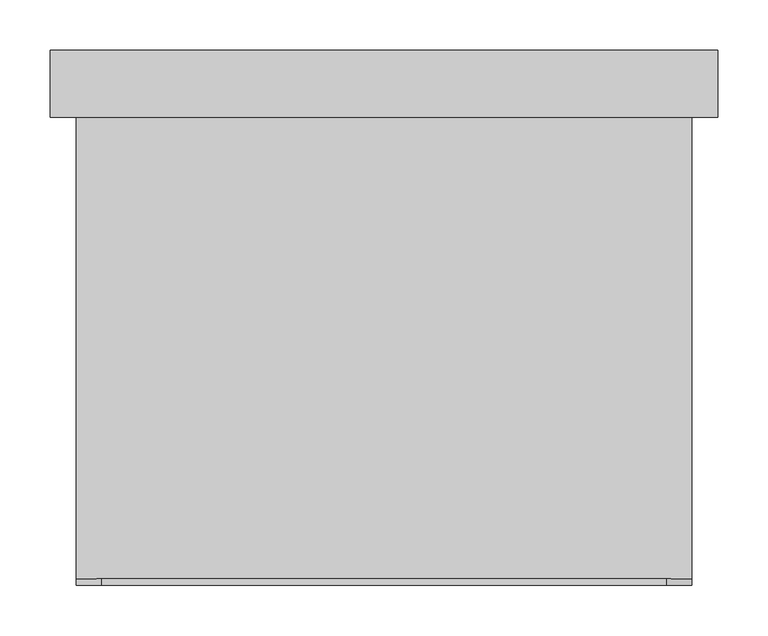
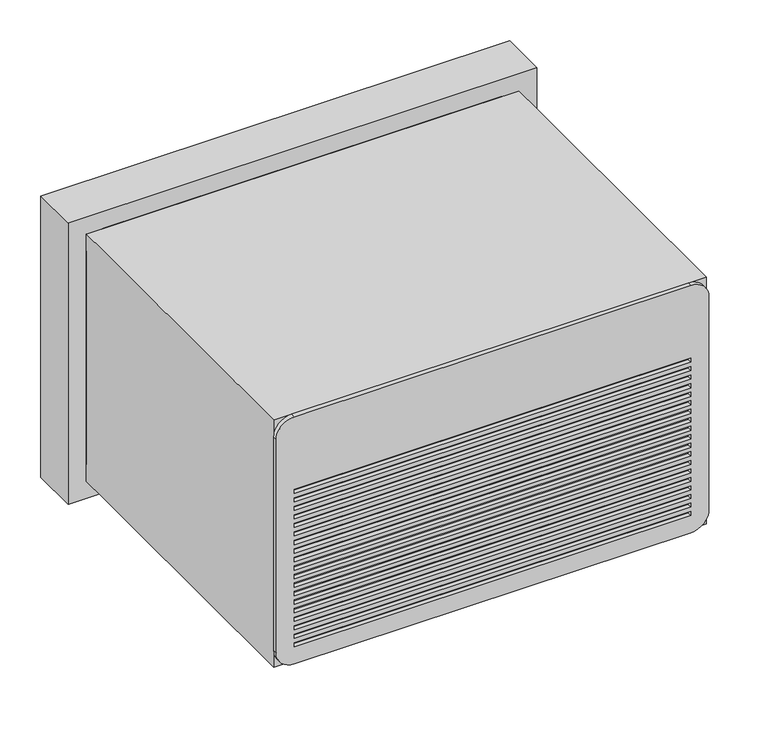
"""IFC4 building model written with IfcOpenShell, lengths in millimetres: proxy geometry."""

from ifc_helpers import new_model, si_unit, point, frame, frame_2d, origin, place, context, project, spatial, polyline, circle_curve, trimmed, segment, composite_curve, outline, extrude, source, transform, mapped, element, save


def generic_models_9263e51b(model_context):
    return source(origin(), model_context, "Body", "SweptSolid", [
        extrude(outline(composite_curve([segment(polyline([(914.4, -279.4), (914.4, 279.4)]), True, "CONTINUOUS"), segment(trimmed(circle_curve(frame_2d((939.8, 279.4)), 25.4), [point((914.4, 279.4))], [point((939.8, 304.8))], False, "CARTESIAN"), True, "CONTINUOUS"), segment(polyline([(939.8, 304.8), (1257.3, 304.8)]), True, "CONTINUOUS"), segment(trimmed(circle_curve(frame_2d((1257.3, 279.4)), 25.4), [point((1257.3, 304.8))], [point((1282.7, 279.4))], False, "CARTESIAN"), True, "CONTINUOUS"), segment(polyline([(1282.7, 279.4), (1282.7, -279.4)]), True, "CONTINUOUS"), segment(trimmed(circle_curve(frame_2d((1257.3, -279.4)), 25.4), [point((1282.7, -279.4))], [point((1257.3, -304.8))], False, "CARTESIAN"), True, "CONTINUOUS"), segment(polyline([(1257.3, -304.8), (939.8, -304.8)]), True, "CONTINUOUS"), segment(trimmed(circle_curve(frame_2d((939.8, -279.4)), 25.4), [point((939.8, -304.8))], [point((914.4, -279.4))], False, "CARTESIAN"), True, "CONTINUOUS")], self_intersect=False), holes=[polyline([(939.8, -279.4), (946.15, -279.4), (946.15, 279.4), (939.8, 279.4), (939.8, -279.4)]), polyline([(952.5, -279.4), (958.85, -279.4), (958.85, 279.4), (952.5, 279.4), (952.5, -279.4)]), polyline([(965.2, -279.4), (971.55, -279.4), (971.55, 279.4), (965.2, 279.4), (965.2, -279.4)]), polyline([(977.9, -279.4), (984.25, -279.4), (984.25, 279.4), (977.9, 279.4), (977.9, -279.4)]), polyline([(990.6, -279.4), (996.95, -279.4), (996.95, 279.4), (990.6, 279.4), (990.6, -279.4)]), polyline([(1003.3, -279.4), (1009.65, -279.4), (1009.65, 279.4), (1003.3, 279.4), (1003.3, -279.4)]), polyline([(1016.0, -279.4), (1022.35, -279.4), (1022.35, 279.4), (1016.0, 279.4), (1016.0, -279.4)]), polyline([(1028.7, -279.4), (1035.05, -279.4), (1035.05, 279.4), (1028.7, 279.4), (1028.7, -279.4)]), polyline([(1041.4, -279.4), (1047.75, -279.4), (1047.75, 279.4), (1041.4, 279.4), (1041.4, -279.4)]), polyline([(1054.1, -279.4), (1060.45, -279.4), (1060.45, 279.4), (1054.1, 279.4), (1054.1, -279.4)]), polyline([(1066.8, -279.4), (1073.15, -279.4), (1073.15, 279.4), (1066.8, 279.4), (1066.8, -279.4)]), polyline([(1079.5, -279.4), (1085.85, -279.4), (1085.85, 279.4), (1079.5, 279.4), (1079.5, -279.4)]), polyline([(1092.2, -279.4), (1098.55, -279.4), (1098.55, 279.4), (1092.2, 279.4), (1092.2, -279.4)]), polyline([(1104.9, -279.4), (1111.25, -279.4), (1111.25, 279.4), (1104.9, 279.4), (1104.9, -279.4)]), polyline([(1117.6, -279.4), (1123.95, -279.4), (1123.95, 279.4), (1117.6, 279.4), (1117.6, -279.4)]), polyline([(1130.3, -279.4), (1136.65, -279.4), (1136.65, 279.4), (1130.3, 279.4), (1130.3, -279.4)]), polyline([(1143.0, -279.4), (1149.35, -279.4), (1149.35, 279.4), (1143.0, 279.4), (1143.0, -279.4)]), polyline([(1155.7, -279.4), (1162.05, -279.4), (1162.05, 279.4), (1155.7, 279.4), (1155.7, -279.4)]), polyline([(1168.4, -279.4), (1174.75, -279.4), (1174.75, 279.4), (1168.4, 279.4), (1168.4, -279.4)])]), frame((0.0, -336.55, 0.0), z_axis=(0.0, 1.0, 0.0), x_axis=(0.0, 0.0, 1.0)), (0.0, 0.0, 1.0), 6.35),
        extrude(outline(polyline([(279.4, 152.4), (127.0, 152.4), (127.0, 156.3181205), (279.4, 156.3181205), (279.4, 152.4)])), frame((0.0, 0.0, 1199.800951), z_axis=(0.0, 0.0, 1.0), x_axis=(1.0, 0.0, 0.0)), (0.0, 0.0, 1.0), 57.15),
        extrude(outline(composite_curve([segment(polyline([(914.4, -279.4), (914.4, 279.4)]), True, "CONTINUOUS"), segment(trimmed(circle_curve(frame_2d((939.8, 279.4)), 25.4), [point((914.4, 279.4))], [point((939.8, 304.8))], False, "CARTESIAN"), True, "CONTINUOUS"), segment(polyline([(939.8, 304.8), (1257.3, 304.8)]), True, "CONTINUOUS"), segment(trimmed(circle_curve(frame_2d((1257.3, 279.4)), 25.4), [point((1257.3, 304.8))], [point((1282.7, 279.4))], False, "CARTESIAN"), True, "CONTINUOUS"), segment(polyline([(1282.7, 279.4), (1282.7, -279.4)]), True, "CONTINUOUS"), segment(trimmed(circle_curve(frame_2d((1257.3, -279.4)), 25.4), [point((1282.7, -279.4))], [point((1257.3, -304.8))], False, "CARTESIAN"), True, "CONTINUOUS"), segment(polyline([(1257.3, -304.8), (939.8, -304.8)]), True, "CONTINUOUS"), segment(trimmed(circle_curve(frame_2d((939.8, -279.4)), 25.4), [point((939.8, -304.8))], [point((914.4, -279.4))], False, "CARTESIAN"), True, "CONTINUOUS")], self_intersect=False), holes=[polyline([(939.8, -279.4), (946.15, -279.4), (946.15, 279.4), (939.8, 279.4), (939.8, -279.4)]), polyline([(952.5, -279.4), (958.85, -279.4), (958.85, 279.4), (952.5, 279.4), (952.5, -279.4)]), polyline([(965.2, -279.4), (971.55, -279.4), (971.55, 279.4), (965.2, 279.4), (965.2, -279.4)]), polyline([(977.9, -279.4), (984.25, -279.4), (984.25, 279.4), (977.9, 279.4), (977.9, -279.4)]), polyline([(990.6, -279.4), (996.95, -279.4), (996.95, 279.4), (990.6, 279.4), (990.6, -279.4)]), polyline([(1003.3, -279.4), (1009.65, -279.4), (1009.65, 279.4), (1003.3, 279.4), (1003.3, -279.4)]), polyline([(1016.0, -279.4), (1022.35, -279.4), (1022.35, 279.4), (1016.0, 279.4), (1016.0, -279.4)]), polyline([(1028.7, -279.4), (1035.05, -279.4), (1035.05, 279.4), (1028.7, 279.4), (1028.7, -279.4)]), polyline([(1041.4, -279.4), (1047.75, -279.4), (1047.75, 279.4), (1041.4, 279.4), (1041.4, -279.4)]), polyline([(1054.1, -279.4), (1060.45, -279.4), (1060.45, 279.4), (1054.1, 279.4), (1054.1, -279.4)]), polyline([(1066.8, -279.4), (1073.15, -279.4), (1073.15, 279.4), (1066.8, 279.4), (1066.8, -279.4)]), polyline([(1079.5, -279.4), (1085.85, -279.4), (1085.85, 279.4), (1079.5, 279.4), (1079.5, -279.4)]), polyline([(1092.2, -279.4), (1098.55, -279.4), (1098.55, 279.4), (1092.2, 279.4), (1092.2, -279.4)]), polyline([(1104.9, -279.4), (1111.25, -279.4), (1111.25, 279.4), (1104.9, 279.4), (1104.9, -279.4)]), polyline([(1117.6, -279.4), (1123.95, -279.4), (1123.95, 279.4), (1117.6, 279.4), (1117.6, -279.4)]), polyline([(1130.3, -279.4), (1136.65, -279.4), (1136.65, 279.4), (1130.3, 279.4), (1130.3, -279.4)]), polyline([(1143.0, -279.4), (1149.35, -279.4), (1149.35, 279.4), (1143.0, 279.4), (1143.0, -279.4)]), polyline([(1155.7, -279.4), (1162.05, -279.4), (1162.05, 279.4), (1155.7, 279.4), (1155.7, -279.4)]), polyline([(1168.4, -279.4), (1174.75, -279.4), (1174.75, 279.4), (1168.4, 279.4), (1168.4, -279.4)]), polyline([(1200.15, -279.4), (1206.5, -279.4), (1206.5, 101.6), (1200.15, 101.6), (1200.15, -279.4)]), polyline([(1212.85, -279.4), (1219.2, -279.4), (1219.2, 101.6), (1212.85, 101.6), (1212.85, -279.4)]), polyline([(1225.55, -279.4), (1231.9, -279.4), (1231.9, 101.6), (1225.55, 101.6), (1225.55, -279.4)]), polyline([(1238.25, -279.4), (1244.6, -279.4), (1244.6, 101.6), (1238.25, 101.6), (1238.25, -279.4)]), polyline([(1250.95, -279.4), (1257.3, -279.4), (1257.3, 101.6), (1250.95, 101.6), (1250.95, -279.4)])]), frame((0.0, 127.0, 0.0), z_axis=(0.0, 1.0, 0.0), x_axis=(0.0, 0.0, 1.0)), (0.0, 0.0, 1.0), 25.4),
        extrude(outline(polyline([(330.2, 127.0), (-330.2, 127.0), (-330.2, 193.0003125), (330.2, 193.0003125), (330.2, 127.0)])), frame((0.0, 0.0, 889.0), z_axis=(0.0, 0.0, 1.0), x_axis=(1.0, 0.0, 0.0)), (0.0, 0.0, 1.0), 419.1),
        extrude(outline(polyline([(304.8, -330.2), (-304.8, -330.2), (-304.8, 193.0003125), (304.8, 193.0003125), (304.8, -330.2)])), frame((0.0, 0.0, 914.4), z_axis=(0.0, 0.0, 1.0), x_axis=(1.0, 0.0, 0.0)), (0.0, 0.0, 1.0), 368.3),
    ])


if __name__ == "__main__":
    model = new_model("IFC4")
    model_context = context("Model", 3, world=origin())
    ifc_project = project(units=[si_unit("LENGTHUNIT", "METRE", prefix="MILLI")], contexts=[model_context])
    site = spatial("IfcSite", under=ifc_project)
    building = spatial("IfcBuilding", under=site)
    placement = place(None, origin())
    generic_models_shape = generic_models_9263e51b(model_context)
    element("IfcBuildingElementProxy", 1, Name="Generic Models", at=placement, inside=building, context=model_context, shape_type="MappedRepresentation", body=[
        mapped(generic_models_shape, transform((0.0, 0.0, 0.0), x_axis=(1.0, 0.0, 0.0), y_axis=(0.0, 1.0, 0.0), z_axis=(0.0, 0.0, 1.0))),
    ])
    save(model, "model.ifc")
